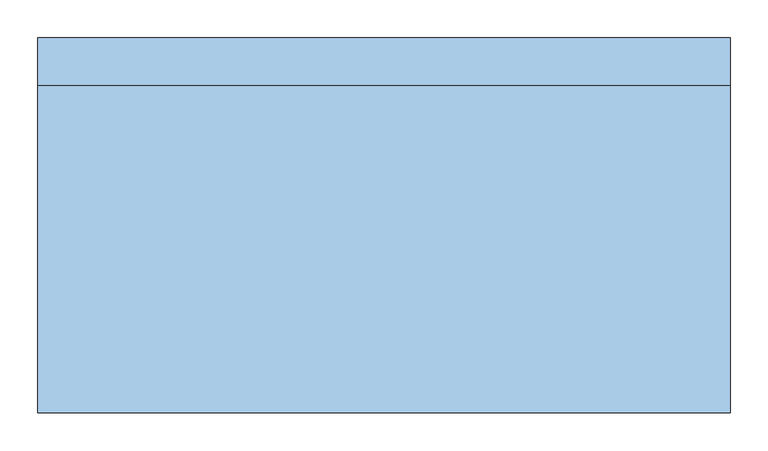
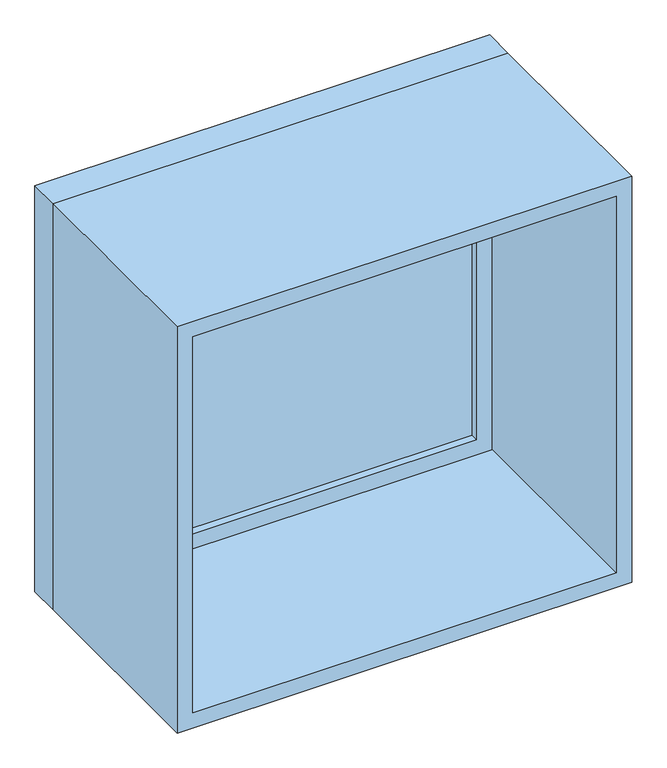
"""IFC4 building model written with IfcOpenShell, lengths in millimetres: window geometry."""

from ifc_helpers import new_model, si_unit, frame, origin, place, context, project, spatial, polyline, outline, extrude, source, transform, mapped, element, save


def window_b76715b6(model_context):
    return source(origin(), model_context, "Body", "SweptSolid", [
        extrude(outline(polyline([(355.6, 200.025), (-431.8, 200.025), (-431.8, 212.725), (355.6, 212.725), (355.6, 200.025)])), frame((0.0, 0.0, 977.9), z_axis=(0.0, 0.0, 1.0), x_axis=(1.0, 0.0, 0.0)), (0.0, 0.0, 1.0), 736.6),
        extrude(outline(polyline([(1758.95, -476.25), (933.45, -476.25), (933.45, 400.05), (1758.95, 400.05), (1758.95, -476.25)]), holes=[polyline([(1714.5, -431.8), (1714.5, 355.6), (977.9, 355.6), (977.9, -431.8), (1714.5, -431.8)])]), frame((0.0, 184.15, 0.0), z_axis=(0.0, 1.0, 0.0), x_axis=(0.0, 0.0, 1.0)), (0.0, 0.0, 1.0), 44.45),
        extrude(outline(polyline([(1778.0, -495.3), (914.4, -495.3), (914.4, 419.1), (1778.0, 419.1), (1778.0, -495.3)]), holes=[polyline([(1746.25, -463.55), (1746.25, 387.35), (946.15, 387.35), (946.15, -463.55), (1746.25, -463.55)])]), frame((0.0, -247.65, 0.0), z_axis=(0.0, 1.0, 0.0), x_axis=(0.0, 0.0, 1.0)), (0.0, 0.0, 1.0), 431.8),
        extrude(outline(polyline([(1778.0, 419.1), (1778.0, -495.3), (914.4, -495.3), (914.4, 419.1), (1778.0, 419.1)]), holes=[polyline([(1758.95, 400.05), (933.45, 400.05), (933.45, -476.25), (1758.95, -476.25), (1758.95, 400.05)])]), frame((0.0, 184.15, 0.0), z_axis=(0.0, 1.0, 0.0), x_axis=(0.0, 0.0, 1.0)), (0.0, 0.0, 1.0), 63.5),
    ])


if __name__ == "__main__":
    model = new_model("IFC4")
    model_context = context("Model", 3, world=origin())
    ifc_project = project(units=[si_unit("LENGTHUNIT", "METRE", prefix="MILLI")], contexts=[model_context])
    site = spatial("IfcSite", under=ifc_project)
    building = spatial("IfcBuilding", under=site)
    placement = place(None, origin())
    window_shape = window_b76715b6(model_context)
    element("IfcWindow", 1, at=placement, inside=building, context=model_context, shape_type="MappedRepresentation", body=[
        mapped(window_shape, transform((0.0, 0.0, 0.0), x_axis=(1.0, 0.0, 0.0), y_axis=(0.0, 1.0, 0.0), z_axis=(0.0, 0.0, 1.0))),
    ])
    save(model, "model.ifc")
